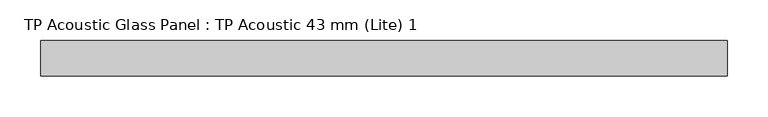
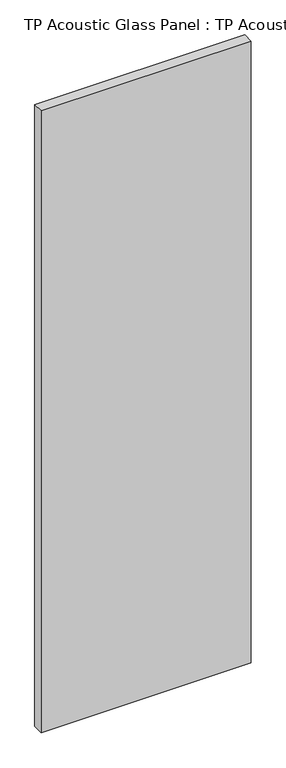
"""IFC4 building model written with IfcOpenShell, lengths in millimetres: plate geometry, TP Acoustic Glass Panel : TP Acoustic 43 mm (Lite) 1."""

from ifc_helpers import new_model, si_unit, origin, origin_with_axes, place, context, project, spatial, polyline, outline, extrude, source, transform, mapped, element, save


def tp_acoustic_glass_panel_tp_acoustic_43_mm_lite_1_53d78c60(model_context):
    return source(origin(), model_context, "Body", "SweptSolid", [
        extrude(outline(polyline([(419.875, 21.5), (419.875, -21.5), (-419.875, -21.5), (-419.875, 21.5), (419.875, 21.5)])), origin_with_axes(), (0.0, 0.0, 1.0), 2628.0),
    ])


if __name__ == "__main__":
    model = new_model("IFC4")
    model_context = context("Model", 3, world=origin())
    ifc_project = project(units=[si_unit("LENGTHUNIT", "METRE", prefix="MILLI")], contexts=[model_context])
    site = spatial("IfcSite", under=ifc_project)
    building = spatial("IfcBuilding", under=site)
    placement = place(None, origin())
    tp_acoustic_glass_panel_tp_acoustic_43_mm_lite_1_shape = tp_acoustic_glass_panel_tp_acoustic_43_mm_lite_1_53d78c60(model_context)
    element("IfcPlate", 1, ObjectType="TP Acoustic Glass Panel : TP Acoustic 43 mm (Lite) 1", at=placement, inside=building, context=model_context, shape_type="MappedRepresentation", body=[
        mapped(tp_acoustic_glass_panel_tp_acoustic_43_mm_lite_1_shape, transform((0.0, 0.0, 0.0), x_axis=(1.0, 0.0, 0.0), y_axis=(0.0, 1.0, 0.0), z_axis=(0.0, 0.0, 1.0))),
    ])
    save(model, "model.ifc")
